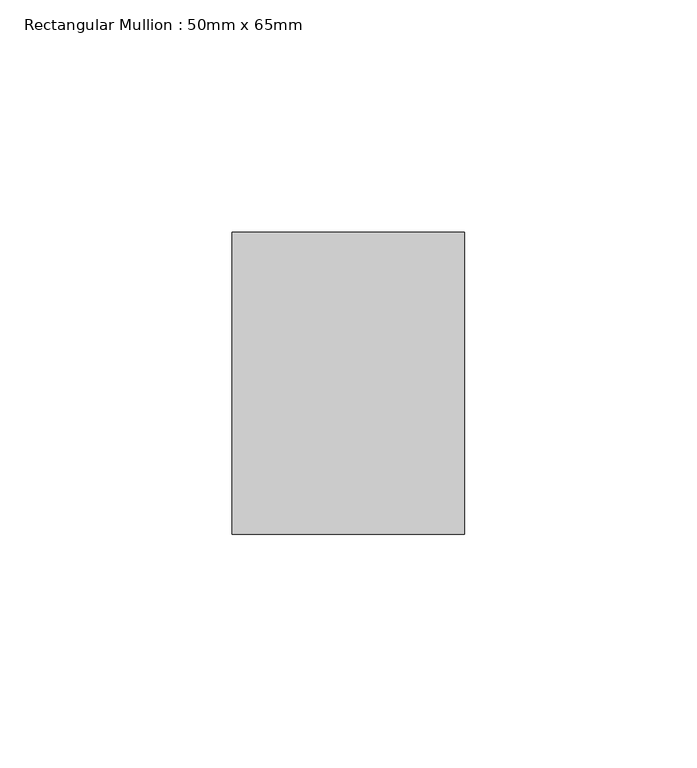
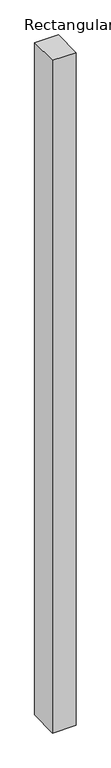
"""IFC4 building model written with IfcOpenShell, lengths in millimetres: member geometry, Rectangular Mullion : 50mm x 65mm."""

from ifc_helpers import new_model, si_unit, frame, origin, place, context, project, spatial, polyline, outline, extrude, source, transform, mapped, element, save


def rectangular_mullion_50mm_x_65mm_a927f393(model_context):
    return source(origin(), model_context, "Body", "SweptSolid", [
        extrude(outline(polyline([(-32.5, 0.0), (32.5, 0.0), (32.5, -1499.3989256), (-32.5, -1500.6033581), (-32.5, 0.0)])), frame((-25.0, 0.0, 0.0), z_axis=(1.0, 0.0, 0.0), x_axis=(0.0, 1.0, 0.0)), (0.0, 0.0, 1.0), 50.0),
    ])


if __name__ == "__main__":
    model = new_model("IFC4")
    model_context = context("Model", 3, world=origin())
    ifc_project = project(units=[si_unit("LENGTHUNIT", "METRE", prefix="MILLI")], contexts=[model_context])
    site = spatial("IfcSite", under=ifc_project)
    building = spatial("IfcBuilding", under=site)
    placement = place(None, origin())
    rectangular_mullion_50mm_x_65mm_shape = rectangular_mullion_50mm_x_65mm_a927f393(model_context)
    element("IfcMember", 1, ObjectType="Rectangular Mullion : 50mm x 65mm", at=placement, inside=building, context=model_context, shape_type="MappedRepresentation", body=[
        mapped(rectangular_mullion_50mm_x_65mm_shape, transform((0.0, 0.0, 0.0), x_axis=(1.0, 0.0, 0.0), y_axis=(0.0, 1.0, 0.0), z_axis=(0.0, 0.0, 1.0))),
    ])
    save(model, "model.ifc")
